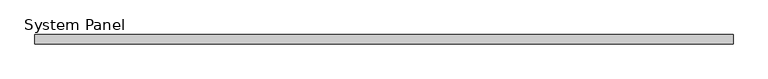
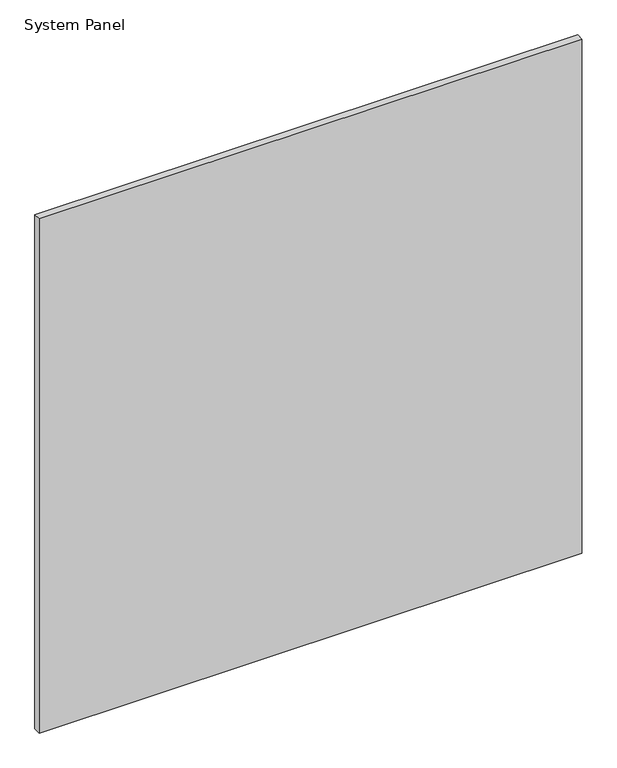
"""IFC4 building model written with IfcOpenShell, lengths in millimetres: plate geometry, System Panel."""

from ifc_helpers import new_model, si_unit, origin, origin_with_axes, place, context, project, spatial, polyline, outline, extrude, source, transform, mapped, element, save


def system_panel_47af196d(model_context):
    return source(origin(), model_context, "Body", "SweptSolid", [
        extrude(outline(polyline([(593.75, -8.0), (-593.75, -8.0), (-593.75, 8.0), (593.75, 8.0), (593.75, -8.0)])), origin_with_axes(), (0.0, 0.0, 1.0), 1190.0),
    ])


if __name__ == "__main__":
    model = new_model("IFC4")
    model_context = context("Model", 3, world=origin())
    ifc_project = project(units=[si_unit("LENGTHUNIT", "METRE", prefix="MILLI")], contexts=[model_context])
    site = spatial("IfcSite", under=ifc_project)
    building = spatial("IfcBuilding", under=site)
    placement = place(None, origin())
    system_panel_shape = system_panel_47af196d(model_context)
    element("IfcPlate", 1, ObjectType="System Panel", at=placement, inside=building, context=model_context, shape_type="MappedRepresentation", body=[
        mapped(system_panel_shape, transform((0.0, 0.0, 0.0), x_axis=(1.0, 0.0, 0.0), y_axis=(0.0, 1.0, 0.0), z_axis=(0.0, 0.0, 1.0))),
    ])
    save(model, "model.ifc")
